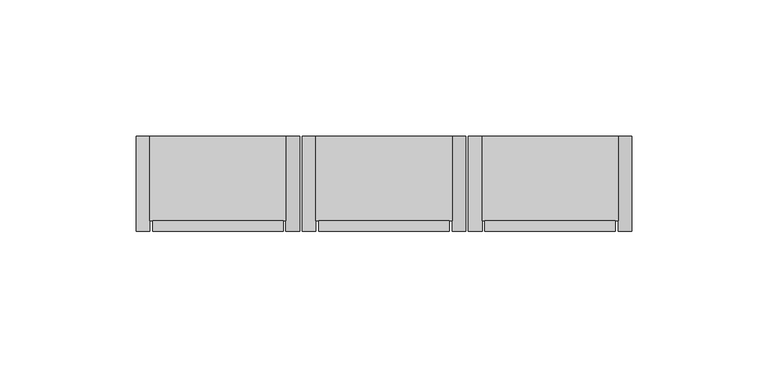
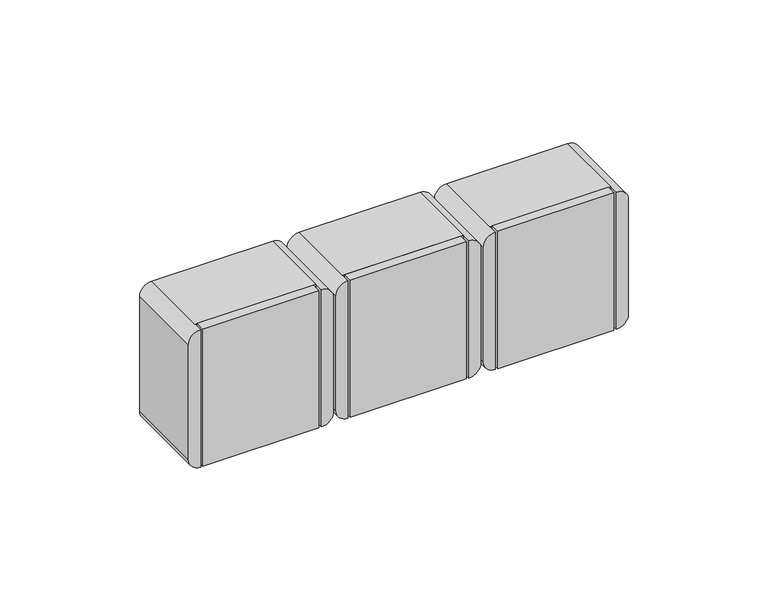
"""IFC4 building model written with IfcOpenShell, lengths in millimetres: proxy geometry."""

import ifcopenshell
import ifcopenshell.guid

model = None  # the IFC model being written
_history = None  # IfcOwnerHistory: only IFC2X3 demands one
_inside = {}  # id of a spatial element -> (the spatial element, [elements in it])
_under = {}  # id of a project, library or spatial element -> (it, [spatial elements below it])
_declared = {}  # id of a project -> (the project, [libraries it declares])
_typed = {}  # id of a type object -> (the type object, [elements of that type])
_made_of = {}  # id of a material, layer set ... -> (it, [elements and type objects made of it])


def new_model(schema):
    """Start an empty IFC model of exactly this schema.

    Asked for "IFC4X3", IfcOpenShell would pick the latest addendum, in which some entities
    have other attributes; the version numbers below select the first issue.
    IFC2X3 requires an IfcOwnerHistory on every rooted entity: one is made here for all.
    """
    global model, _history
    if schema == "IFC4X3":
        model = ifcopenshell.file(schema_version=(4, 3, 0, 0))
    else:
        model = ifcopenshell.file(schema=schema)
    _inside.clear()
    _under.clear()
    _declared.clear()
    _typed.clear()
    _made_of.clear()
    _history = None
    if model.schema == "IFC2X3":
        org = make("IfcOrganization", Name="unknown")
        user = make(
            "IfcPersonAndOrganization",
            ThePerson=make("IfcPerson", FamilyName="unknown"),
            TheOrganization=org,
        )
        app = make(
            "IfcApplication",
            ApplicationDeveloper=org,
            Version="unknown",
            ApplicationFullName="unknown",
            ApplicationIdentifier="unknown",
        )
        _history = make(
            "IfcOwnerHistory",
            OwningUser=user,
            OwningApplication=app,
            ChangeAction="ADDED",
            CreationDate=0,
        )
    return model


def make(cls, **values):
    """One entity of the class cls with the attributes given. An attribute that is None is left unset."""
    return model.create_entity(
        cls, **{name: value for name, value in values.items() if value is not None}
    )


def rooted(cls, **values):
    """An entity with a GlobalId (a new one), such as an element, a storey or a relation."""
    return make(cls, GlobalId=ifcopenshell.guid.new(), OwnerHistory=_history, **values)


def si_unit(unit_type, name, prefix=None):
    """IfcSIUnit, for example si_unit("LENGTHUNIT", "METRE", prefix="MILLI")."""
    return make("IfcSIUnit", UnitType=unit_type, Prefix=prefix, Name=name)


def assignment(units):
    """IfcUnitAssignment: the units of a project."""
    return None if units is None else make("IfcUnitAssignment", Units=units)


def point(xyz):
    """IfcCartesianPoint."""
    return None if xyz is None else make("IfcCartesianPoint", Coordinates=xyz)


def direction(xyz):
    """IfcDirection."""
    return None if xyz is None else make("IfcDirection", DirectionRatios=xyz)


def frame(location, z_axis=None, x_axis=None):
    """IfcAxis2Placement3D, a coordinate frame: its origin and axes. An axis left out is left unset."""
    return make(
        "IfcAxis2Placement3D",
        Location=point(location),
        Axis=direction(z_axis),
        RefDirection=direction(x_axis),
    )


def origin():
    """The frame at (0, 0, 0) with its axes left unset."""
    return frame((0.0, 0.0, 0.0))


def place(relative_to, where):
    """IfcLocalPlacement: puts the frame where relative to a parent placement (None: the world)."""
    return make(
        "IfcLocalPlacement", PlacementRelTo=relative_to, RelativePlacement=where
    )


def context(
    kind, dimensions, precision=None, world=None, true_north=None, identifier=None
):
    """IfcGeometricRepresentationContext, for example the 3D "Model" context."""
    return make(
        "IfcGeometricRepresentationContext",
        ContextIdentifier=identifier,
        ContextType=kind,
        CoordinateSpaceDimension=dimensions,
        Precision=precision,
        WorldCoordinateSystem=world,
        TrueNorth=true_north,
    )


def project(units=None, contexts=None):
    """IfcProject with its units and contexts."""
    return rooted(
        "IfcProject",
        Name="project",
        RepresentationContexts=contexts,
        UnitsInContext=assignment(units),
    )


def spatial(cls, under=None, at=None, **own):
    """A site, building, storey or space (cls), placed at a placement, below another one or the project."""
    s = rooted(cls, ObjectPlacement=at, **own)
    if under is not None:
        _under.setdefault(under.id(), (under, []))[1].append(s)
    return s


def polyline(points):
    """IfcPolyline through the points."""
    return make("IfcPolyline", Points=[point(p) for p in points])


def circle_curve(where, radius):
    """IfcCircle in the frame where."""
    return make("IfcCircle", Position=where, Radius=radius)


def outline(outer, holes=None, kind="AREA"):
    """IfcArbitraryClosedProfileDef: a profile drawn as a closed curve; with holes, ...WithVoids."""
    if holes is None:
        return make("IfcArbitraryClosedProfileDef", ProfileType=kind, OuterCurve=outer)
    return make(
        "IfcArbitraryProfileDefWithVoids",
        ProfileType=kind,
        OuterCurve=outer,
        InnerCurves=holes,
    )


def extrude(swept, where, along, depth):
    """IfcExtrudedAreaSolid: the profile swept, set in the frame where, extruded along a direction by depth."""
    return make(
        "IfcExtrudedAreaSolid",
        SweptArea=swept,
        Position=where,
        ExtrudedDirection=direction(along),
        Depth=depth,
    )


def shape(context_of_items, identifier, shape_type, items):
    """IfcShapeRepresentation: the items that make up one representation, for example the "Body"."""
    return make(
        "IfcShapeRepresentation",
        ContextOfItems=context_of_items,
        RepresentationIdentifier=identifier,
        RepresentationType=shape_type,
        Items=items,
    )


def source(mapping_origin, context_of_items, identifier, shape_type, items):
    """IfcRepresentationMap: a shape defined once, which mapped items show again and again."""
    return make(
        "IfcRepresentationMap",
        MappingOrigin=mapping_origin,
        MappedRepresentation=shape(context_of_items, identifier, shape_type, items),
    )


def transform(
    local_origin,
    x_axis=None,
    y_axis=None,
    z_axis=None,
    scale=None,
    scale2=None,
    scale3=None,
    uniform=True,
):
    """IfcCartesianTransformationOperator3D, or its non-uniform kind. x_axis, y_axis, z_axis: its Axis1, 2, 3."""
    if uniform:
        return make(
            "IfcCartesianTransformationOperator3D",
            Axis1=direction(x_axis),
            Axis2=direction(y_axis),
            LocalOrigin=point(local_origin),
            Scale=scale,
            Axis3=direction(z_axis),
        )
    return make(
        "IfcCartesianTransformationOperator3DnonUniform",
        Axis1=direction(x_axis),
        Axis2=direction(y_axis),
        LocalOrigin=point(local_origin),
        Scale=scale,
        Axis3=direction(z_axis),
        Scale2=scale2,
        Scale3=scale3,
    )


def mapped(mapping_source, mapping_target):
    """IfcMappedItem: shows the shape of a source again, moved by a transform."""
    return make(
        "IfcMappedItem", MappingSource=mapping_source, MappingTarget=mapping_target
    )


def made_of(thing, what):
    """Note that an element or type object is made of a material, layer set ...; save() writes the relation."""
    if what is not None:
        _made_of.setdefault(what.id(), (what, []))[1].append(thing)
    return thing


def element(
    cls,
    number,
    at=None,
    inside=None,
    cuts=None,
    type_object=None,
    material=None,
    context=None,
    identifier="Body",
    shape_type=None,
    held_by="IfcProductDefinitionShape",
    body=None,
    shapes=None,
    **own,
):
    """One element of the class cls, such as IfcWall. Its Tag is "e" and its number.

    at: its placement. inside: the storey or other place that contains it. cuts: it is an
    opening in that element (IfcRelVoidsElement). A single representation is given by context,
    identifier, shape_type and body (its items); several are given by shapes. held_by: the class
    of the entity that holds the representations. save() writes the other relations.
    """
    e = rooted(cls, Tag="e%d" % number, ObjectPlacement=at, **own)
    if body is not None:
        shapes = [shape(context, identifier, shape_type, body)]
    if shapes is not None:
        e.Representation = make(held_by, Representations=shapes)
    if inside is not None:
        _inside.setdefault(inside.id(), (inside, []))[1].append(e)
    if cuts is not None:
        rooted(
            "IfcRelVoidsElement", RelatingBuildingElement=cuts, RelatedOpeningElement=e
        )
    if type_object is not None:
        _typed.setdefault(type_object.id(), (type_object, []))[1].append(e)
    return made_of(e, material)


def aggregate(whole, parts):
    """IfcRelAggregates: a whole, such as a stair, and the parts it consists of."""
    return rooted("IfcRelAggregates", RelatingObject=whole, RelatedObjects=parts)


def save(model, path):
    """Write the relations noted so far, then the file.

    IfcRelAggregates (storeys below a building ...), IfcRelContainedInSpatialStructure (elements
    in a storey), IfcRelDefinesByType, IfcRelAssociatesMaterial and IfcRelDeclares: one each for
    every whole, place, type object, material and project.
    """
    for whole, parts in _under.values():
        aggregate(whole, parts)
    for where, things in _inside.values():
        rooted(
            "IfcRelContainedInSpatialStructure",
            RelatedElements=things,
            RelatingStructure=where,
        )
    for kind, things in _typed.values():
        rooted("IfcRelDefinesByType", RelatedObjects=things, RelatingType=kind)
    for what, things in _made_of.values():
        rooted("IfcRelAssociatesMaterial", RelatedObjects=things, RelatingMaterial=what)
    for by, libraries in _declared.values():
        rooted("IfcRelDeclares", RelatingContext=by, RelatedDefinitions=libraries)
    model.write(path)


def plane_surface(at):
    """IfcPlane: the flat surface through the origin of the frame at, square to its z axis."""
    return make("IfcPlane", Position=at)


def cylinder_surface(at, radius):
    """IfcCylindricalSurface: all points at the distance radius from the z axis of the frame at."""
    return make("IfcCylindricalSurface", Position=at, Radius=radius)


def advanced_brep(points, edges, surfaces, faces):
    """IfcAdvancedBrep: a solid bounded by faces that lie on surfaces and meet in shared edges.

    An edge is (start, end): straight between two places in points (the first is 0);
    or (start, end, curve); or (start, end, curve, False) where it runs against its curve.
    A face is (place in surfaces, loops), or (place, loops, False) where it looks against
    its surface's normal. A loop lists edges by number (the first is 1), with a minus sign
    where the edge is run from its end to its start. The first loop is the outer one.
    """
    corners = [point(p) for p in points]
    vertices = [make("IfcVertexPoint", VertexGeometry=c) for c in corners]
    made = []
    for start, end, *more in edges:
        made.append(
            make(
                "IfcEdgeCurve",
                EdgeStart=vertices[start],
                EdgeEnd=vertices[end],
                EdgeGeometry=more[0] if more else make("IfcPolyline", Points=[corners[start], corners[end]]),
                SameSense=more[1] if len(more) > 1 else True,
            )
        )
    hull = []
    for where, loops, *sense in faces:
        bounds = []
        for j, loop in enumerate(loops):
            ring = [make("IfcOrientedEdge", EdgeElement=made[abs(k) - 1], Orientation=k > 0) for k in loop]
            bounds.append(
                make(
                    "IfcFaceOuterBound" if j == 0 else "IfcFaceBound",
                    Bound=make("IfcEdgeLoop", EdgeList=ring),
                    Orientation=True,
                )
            )
        hull.append(make("IfcAdvancedFace", Bounds=bounds, FaceSurface=surfaces[where], SameSense=sense[0] if sense else True))
    return make("IfcAdvancedBrep", Outer=make("IfcClosedShell", CfsFaces=hull))


def electrical_fixtures_985dcee5(model_context):
    return source(origin(), model_context, "Body", "SolidModel", [
        extrude(outline(polyline([(40.0, -35.0), (40.0, -31.0), (88.0, -31.0), (88.0, -35.0), (40.0, -35.0)])), frame((0.0, 0.0, 150.0), z_axis=(0.0, 0.0, 1.0), x_axis=(1.0, 0.0, 0.0)), (0.0, 0.0, 1.0), 60.0),
        advanced_brep(
        [(89.0, -35.0, 210.0), (89.0, -35.0, 150.0), (94.0, -35.0, 155.0), (94.0, -35.0, 205.0), (39.0, -35.0, 150.0), (39.0, -35.0, 210.0), (34.0, -35.0, 205.0), (34.0, -35.0, 155.0), (39.0, 0.0, 210.0), (89.0, 0.0, 210.0), (94.0, 0.0, 205.0), (94.0, 0.0, 155.0), (89.0, 0.0, 150.0), (39.0, 0.0, 150.0), (34.0, 0.0, 155.0), (34.0, 0.0, 205.0), (39.0, -31.0, 210.0), (89.0, -31.0, 210.0), (89.0, -31.0, 150.0), (39.0, -31.0, 150.0)],
        [
            (0, 1),
            (1, 2, circle_curve(frame((89.0, -35.0, 155.0), z_axis=(0.0, -1.0, 0.0), x_axis=(-1.0, 0.0, 0.0)), 5.0)),
            (2, 3),
            (3, 0, circle_curve(frame((89.0, -35.0, 205.0), z_axis=(0.0, -1.0, 0.0), x_axis=(-1.0, 0.0, 0.0)), 5.0)),
            (4, 5),
            (5, 6, circle_curve(frame((39.0, -35.0, 205.0), z_axis=(0.0, -1.0, 0.0), x_axis=(-1.0, 0.0, 0.0)), 5.0)),
            (6, 7),
            (7, 4, circle_curve(frame((39.0, -35.0, 155.0), z_axis=(0.0, -1.0, 0.0), x_axis=(-1.0, 0.0, 0.0)), 5.0)),
            (8, 9),
            (9, 10, circle_curve(frame((89.0, 0.0, 205.0), z_axis=(0.0, 1.0, 0.0), x_axis=(-1.0, 0.0, 0.0)), 5.0)),
            (10, 11),
            (11, 12, circle_curve(frame((89.0, 0.0, 155.0), z_axis=(0.0, 1.0, 0.0), x_axis=(-1.0, 0.0, 0.0)), 5.0)),
            (12, 13),
            (13, 14, circle_curve(frame((39.0, 0.0, 155.0), z_axis=(0.0, 1.0, 0.0), x_axis=(-1.0, 0.0, 0.0)), 5.0)),
            (14, 15),
            (15, 8, circle_curve(frame((39.0, 0.0, 205.0), z_axis=(0.0, 1.0, 0.0), x_axis=(-1.0, 0.0, 0.0)), 5.0)),
            (8, 16),
            (16, 17),
            (17, 9),
            (2, 11),
            (10, 3),
            (12, 18),
            (18, 19),
            (19, 13),
            (6, 15),
            (14, 7),
            (17, 0),
            (1, 18),
            (19, 4),
            (5, 16),
            (16, 19),
            (18, 17),
        ],
        [
            plane_surface(frame((84.0, -35.0, 210.0), z_axis=(0.0, -1.0, 0.0), x_axis=(1.0, 0.0, 0.0))),
            plane_surface(frame((84.0, 0.0, 210.0), z_axis=(0.0, 1.0, 0.0), x_axis=(-1.0, 0.0, 0.0))),
            plane_surface(frame((39.0, -35.0, 210.0), z_axis=(0.0, 0.0, 1.0), x_axis=(0.0, 1.0, 0.0))),
            plane_surface(frame((94.0, -35.0, 205.0), z_axis=(1.0, 0.0, 0.0), x_axis=(0.0, 1.0, 0.0))),
            plane_surface(frame((89.0, -35.0, 150.0), z_axis=(0.0, 0.0, -1.0), x_axis=(0.0, 1.0, 0.0))),
            plane_surface(frame((34.0, -35.0, 155.0), z_axis=(-1.0, 0.0, 0.0), x_axis=(0.0, 1.0, 0.0))),
            cylinder_surface(frame((89.0, 0.0, 205.0), z_axis=(0.0, -1.0, 0.0), x_axis=(-1.0, 0.0, 0.0)), 5.0),
            cylinder_surface(frame((89.0, 0.0, 155.0), z_axis=(0.0, -1.0, 0.0), x_axis=(-1.0, 0.0, 0.0)), 5.0),
            cylinder_surface(frame((39.0, 0.0, 155.0), z_axis=(0.0, -1.0, 0.0), x_axis=(-1.0, 0.0, 0.0)), 5.0),
            cylinder_surface(frame((39.0, 0.0, 205.0), z_axis=(0.0, -1.0, 0.0), x_axis=(-1.0, 0.0, 0.0)), 5.0),
            plane_surface(frame((39.0, -31.0, 210.0), z_axis=(0.0, -1.0, 0.0), x_axis=(0.0, 0.0, -1.0))),
            plane_surface(frame((39.0, -31.0, 210.0), z_axis=(1.0, 0.0, 0.0), x_axis=(0.0, -1.0, 0.0))),
            plane_surface(frame((89.0, -31.0, 150.0), z_axis=(-1.0, 0.0, 0.0), x_axis=(0.0, -1.0, 0.0))),
        ],
        [
            (0, [[1, 2, 3, 4]]),
            (0, [[5, 6, 7, 8]]),
            (1, [[9, 10, 11, 12, 13, 14, 15, 16]]),
            (2, [[17, 18, 19, -9]]),
            (3, [[20, -11, 21, -3]]),
            (4, [[22, 23, 24, -13]]),
            (5, [[25, -15, 26, -7]]),
            (6, [[-21, -10, -19, 27, -4]]),
            (7, [[28, -22, -12, -20, -2]]),
            (8, [[-26, -14, -24, 29, -8]]),
            (9, [[30, -17, -16, -25, -6]]),
            (10, [[-18, 31, -23, 32]]),
            (11, [[-30, -5, -29, -31]]),
            (12, [[-28, -1, -27, -32]]),
        ],
    ),
        extrude(outline(polyline([(101.0, -35.0), (101.0, -31.0), (149.0, -31.0), (149.0, -35.0), (101.0, -35.0)])), frame((0.0, 0.0, 150.0), z_axis=(0.0, 0.0, 1.0), x_axis=(1.0, 0.0, 0.0)), (0.0, 0.0, 1.0), 60.0),
        advanced_brep(
        [(150.0, -35.0, 210.0), (150.0, -35.0, 150.0), (155.0, -35.0, 155.0), (155.0, -35.0, 205.0), (100.0, -35.0, 150.0), (100.0, -35.0, 210.0), (95.0, -35.0, 205.0), (95.0, -35.0, 155.0), (100.0, 0.0, 210.0), (150.0, 0.0, 210.0), (155.0, 0.0, 205.0), (155.0, 0.0, 155.0), (150.0, 0.0, 150.0), (100.0, 0.0, 150.0), (95.0, 0.0, 155.0), (95.0, 0.0, 205.0), (100.0, -31.0, 210.0), (150.0, -31.0, 210.0), (150.0, -31.0, 150.0), (100.0, -31.0, 150.0)],
        [
            (0, 1),
            (1, 2, circle_curve(frame((150.0, -35.0, 155.0), z_axis=(0.0, -1.0, 0.0), x_axis=(-1.0, 0.0, 0.0)), 5.0)),
            (2, 3),
            (3, 0, circle_curve(frame((150.0, -35.0, 205.0), z_axis=(0.0, -1.0, 0.0), x_axis=(-1.0, 0.0, 0.0)), 5.0)),
            (4, 5),
            (5, 6, circle_curve(frame((100.0, -35.0, 205.0), z_axis=(0.0, -1.0, 0.0), x_axis=(-1.0, 0.0, 0.0)), 5.0)),
            (6, 7),
            (7, 4, circle_curve(frame((100.0, -35.0, 155.0), z_axis=(0.0, -1.0, 0.0), x_axis=(-1.0, 0.0, 0.0)), 5.0)),
            (8, 9),
            (9, 10, circle_curve(frame((150.0, 0.0, 205.0), z_axis=(0.0, 1.0, 0.0), x_axis=(-1.0, 0.0, 0.0)), 5.0)),
            (10, 11),
            (11, 12, circle_curve(frame((150.0, 0.0, 155.0), z_axis=(0.0, 1.0, 0.0), x_axis=(-1.0, 0.0, 0.0)), 5.0)),
            (12, 13),
            (13, 14, circle_curve(frame((100.0, 0.0, 155.0), z_axis=(0.0, 1.0, 0.0), x_axis=(-1.0, 0.0, 0.0)), 5.0)),
            (14, 15),
            (15, 8, circle_curve(frame((100.0, 0.0, 205.0), z_axis=(0.0, 1.0, 0.0), x_axis=(-1.0, 0.0, 0.0)), 5.0)),
            (8, 16),
            (16, 17),
            (17, 9),
            (2, 11),
            (10, 3),
            (12, 18),
            (18, 19),
            (19, 13),
            (6, 15),
            (14, 7),
            (17, 0),
            (1, 18),
            (19, 4),
            (5, 16),
            (16, 19),
            (18, 17),
        ],
        [
            plane_surface(frame((145.0, -35.0, 210.0), z_axis=(0.0, -1.0, 0.0), x_axis=(1.0, 0.0, 0.0))),
            plane_surface(frame((145.0, 0.0, 210.0), z_axis=(0.0, 1.0, 0.0), x_axis=(-1.0, 0.0, 0.0))),
            plane_surface(frame((100.0, -35.0, 210.0), z_axis=(0.0, 0.0, 1.0), x_axis=(0.0, 1.0, 0.0))),
            plane_surface(frame((155.0, -35.0, 205.0), z_axis=(1.0, 0.0, 0.0), x_axis=(0.0, 1.0, 0.0))),
            plane_surface(frame((150.0, -35.0, 150.0), z_axis=(0.0, 0.0, -1.0), x_axis=(0.0, 1.0, 0.0))),
            plane_surface(frame((95.0, -35.0, 155.0), z_axis=(-1.0, 0.0, 0.0), x_axis=(0.0, 1.0, 0.0))),
            cylinder_surface(frame((150.0, 0.0, 205.0), z_axis=(0.0, -1.0, 0.0), x_axis=(-1.0, 0.0, 0.0)), 5.0),
            cylinder_surface(frame((150.0, 0.0, 155.0), z_axis=(0.0, -1.0, 0.0), x_axis=(-1.0, 0.0, 0.0)), 5.0),
            cylinder_surface(frame((100.0, 0.0, 155.0), z_axis=(0.0, -1.0, 0.0), x_axis=(-1.0, 0.0, 0.0)), 5.0),
            cylinder_surface(frame((100.0, 0.0, 205.0), z_axis=(0.0, -1.0, 0.0), x_axis=(-1.0, 0.0, 0.0)), 5.0),
            plane_surface(frame((100.0, -31.0, 210.0), z_axis=(0.0, -1.0, 0.0), x_axis=(0.0, 0.0, -1.0))),
            plane_surface(frame((100.0, -31.0, 210.0), z_axis=(1.0, 0.0, 0.0), x_axis=(0.0, -1.0, 0.0))),
            plane_surface(frame((150.0, -31.0, 150.0), z_axis=(-1.0, 0.0, 0.0), x_axis=(0.0, -1.0, 0.0))),
        ],
        [
            (0, [[1, 2, 3, 4]]),
            (0, [[5, 6, 7, 8]]),
            (1, [[9, 10, 11, 12, 13, 14, 15, 16]]),
            (2, [[17, 18, 19, -9]]),
            (3, [[20, -11, 21, -3]]),
            (4, [[22, 23, 24, -13]]),
            (5, [[25, -15, 26, -7]]),
            (6, [[-21, -10, -19, 27, -4]]),
            (7, [[28, -22, -12, -20, -2]]),
            (8, [[-26, -14, -24, 29, -8]]),
            (9, [[30, -17, -16, -25, -6]]),
            (10, [[-18, 31, -23, 32]]),
            (11, [[-30, -5, -29, -31]]),
            (12, [[-28, -1, -27, -32]]),
        ],
    ),
        extrude(outline(polyline([(162.0, -35.0), (162.0, -31.0), (210.0, -31.0), (210.0, -35.0), (162.0, -35.0)])), frame((0.0, 0.0, 150.0), z_axis=(0.0, 0.0, 1.0), x_axis=(1.0, 0.0, 0.0)), (0.0, 0.0, 1.0), 60.0),
        advanced_brep(
        [(211.0, -35.0, 210.0), (211.0, -35.0, 150.0), (216.0, -35.0, 155.0), (216.0, -35.0, 205.0), (161.0, -35.0, 150.0), (161.0, -35.0, 210.0), (156.0, -35.0, 205.0), (156.0, -35.0, 155.0), (161.0, 0.0, 210.0), (211.0, 0.0, 210.0), (216.0, 0.0, 205.0), (216.0, 0.0, 155.0), (211.0, 0.0, 150.0), (161.0, 0.0, 150.0), (156.0, 0.0, 155.0), (156.0, 0.0, 205.0), (161.0, -31.0, 210.0), (211.0, -31.0, 210.0), (211.0, -31.0, 150.0), (161.0, -31.0, 150.0)],
        [
            (0, 1),
            (1, 2, circle_curve(frame((211.0, -35.0, 155.0), z_axis=(0.0, -1.0, 0.0), x_axis=(-1.0, 0.0, 0.0)), 5.0)),
            (2, 3),
            (3, 0, circle_curve(frame((211.0, -35.0, 205.0), z_axis=(0.0, -1.0, 0.0), x_axis=(-1.0, 0.0, 0.0)), 5.0)),
            (4, 5),
            (5, 6, circle_curve(frame((161.0, -35.0, 205.0), z_axis=(0.0, -1.0, 0.0), x_axis=(-1.0, 0.0, 0.0)), 5.0)),
            (6, 7),
            (7, 4, circle_curve(frame((161.0, -35.0, 155.0), z_axis=(0.0, -1.0, 0.0), x_axis=(-1.0, 0.0, 0.0)), 5.0)),
            (8, 9),
            (9, 10, circle_curve(frame((211.0, 0.0, 205.0), z_axis=(0.0, 1.0, 0.0), x_axis=(-1.0, 0.0, 0.0)), 5.0)),
            (10, 11),
            (11, 12, circle_curve(frame((211.0, 0.0, 155.0), z_axis=(0.0, 1.0, 0.0), x_axis=(-1.0, 0.0, 0.0)), 5.0)),
            (12, 13),
            (13, 14, circle_curve(frame((161.0, 0.0, 155.0), z_axis=(0.0, 1.0, 0.0), x_axis=(-1.0, 0.0, 0.0)), 5.0)),
            (14, 15),
            (15, 8, circle_curve(frame((161.0, 0.0, 205.0), z_axis=(0.0, 1.0, 0.0), x_axis=(-1.0, 0.0, 0.0)), 5.0)),
            (8, 16),
            (16, 17),
            (17, 9),
            (2, 11),
            (10, 3),
            (12, 18),
            (18, 19),
            (19, 13),
            (6, 15),
            (14, 7),
            (17, 0),
            (1, 18),
            (19, 4),
            (5, 16),
            (16, 19),
            (18, 17),
        ],
        [
            plane_surface(frame((206.0, -35.0, 210.0), z_axis=(0.0, -1.0, 0.0), x_axis=(1.0, 0.0, 0.0))),
            plane_surface(frame((206.0, 0.0, 210.0), z_axis=(0.0, 1.0, 0.0), x_axis=(-1.0, 0.0, 0.0))),
            plane_surface(frame((161.0, -35.0, 210.0), z_axis=(0.0, 0.0, 1.0), x_axis=(0.0, 1.0, 0.0))),
            plane_surface(frame((216.0, -35.0, 205.0), z_axis=(1.0, 0.0, 0.0), x_axis=(0.0, 1.0, 0.0))),
            plane_surface(frame((211.0, -35.0, 150.0), z_axis=(0.0, 0.0, -1.0), x_axis=(0.0, 1.0, 0.0))),
            plane_surface(frame((156.0, -35.0, 155.0), z_axis=(-1.0, 0.0, 0.0), x_axis=(0.0, 1.0, 0.0))),
            cylinder_surface(frame((211.0, 0.0, 205.0), z_axis=(0.0, -1.0, 0.0), x_axis=(-1.0, 0.0, 0.0)), 5.0),
            cylinder_surface(frame((211.0, 0.0, 155.0), z_axis=(0.0, -1.0, 0.0), x_axis=(-1.0, 0.0, 0.0)), 5.0),
            cylinder_surface(frame((161.0, 0.0, 155.0), z_axis=(0.0, -1.0, 0.0), x_axis=(-1.0, 0.0, 0.0)), 5.0),
            cylinder_surface(frame((161.0, 0.0, 205.0), z_axis=(0.0, -1.0, 0.0), x_axis=(-1.0, 0.0, 0.0)), 5.0),
            plane_surface(frame((161.0, -31.0, 210.0), z_axis=(0.0, -1.0, 0.0), x_axis=(0.0, 0.0, -1.0))),
            plane_surface(frame((161.0, -31.0, 210.0), z_axis=(1.0, 0.0, 0.0), x_axis=(0.0, -1.0, 0.0))),
            plane_surface(frame((211.0, -31.0, 150.0), z_axis=(-1.0, 0.0, 0.0), x_axis=(0.0, -1.0, 0.0))),
        ],
        [
            (0, [[1, 2, 3, 4]]),
            (0, [[5, 6, 7, 8]]),
            (1, [[9, 10, 11, 12, 13, 14, 15, 16]]),
            (2, [[17, 18, 19, -9]]),
            (3, [[20, -11, 21, -3]]),
            (4, [[22, 23, 24, -13]]),
            (5, [[25, -15, 26, -7]]),
            (6, [[-21, -10, -19, 27, -4]]),
            (7, [[28, -22, -12, -20, -2]]),
            (8, [[-26, -14, -24, 29, -8]]),
            (9, [[30, -17, -16, -25, -6]]),
            (10, [[-18, 31, -23, 32]]),
            (11, [[-30, -5, -29, -31]]),
            (12, [[-28, -1, -27, -32]]),
        ],
    ),
    ])


if __name__ == "__main__":
    model = new_model("IFC4")
    model_context = context("Model", 3, world=origin())
    ifc_project = project(units=[si_unit("LENGTHUNIT", "METRE", prefix="MILLI")], contexts=[model_context])
    site = spatial("IfcSite", under=ifc_project)
    building = spatial("IfcBuilding", under=site)
    placement = place(None, origin())
    electrical_fixtures_shape = electrical_fixtures_985dcee5(model_context)
    element("IfcBuildingElementProxy", 1, Name="Electrical Fixtures", at=placement, inside=building, context=model_context, shape_type="MappedRepresentation", body=[
        mapped(electrical_fixtures_shape, transform((0.0, 0.0, 0.0), x_axis=(1.0, 0.0, 0.0), y_axis=(0.0, 1.0, 0.0), z_axis=(0.0, 0.0, 1.0))),
    ])
    save(model, "model.ifc")
